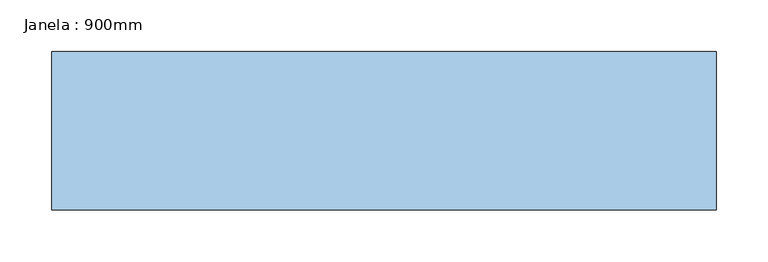
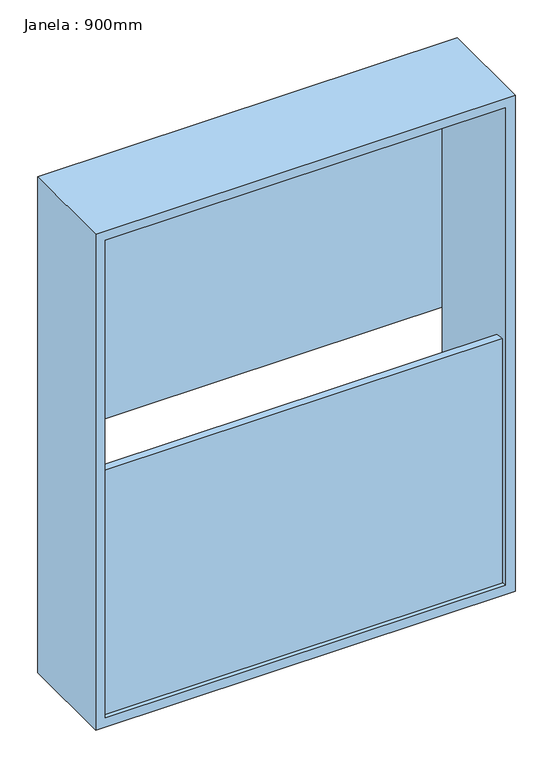
"""IFC4 building model written with IfcOpenShell, lengths in millimetres: window geometry, Janela : 900mm."""

import ifcopenshell
import ifcopenshell.guid

model = None  # the IFC model being written
_history = None  # IfcOwnerHistory: only IFC2X3 demands one
_inside = {}  # id of a spatial element -> (the spatial element, [elements in it])
_under = {}  # id of a project, library or spatial element -> (it, [spatial elements below it])
_declared = {}  # id of a project -> (the project, [libraries it declares])
_typed = {}  # id of a type object -> (the type object, [elements of that type])
_made_of = {}  # id of a material, layer set ... -> (it, [elements and type objects made of it])


def new_model(schema):
    """Start an empty IFC model of exactly this schema.

    Asked for "IFC4X3", IfcOpenShell would pick the latest addendum, in which some entities
    have other attributes; the version numbers below select the first issue.
    IFC2X3 requires an IfcOwnerHistory on every rooted entity: one is made here for all.
    """
    global model, _history
    if schema == "IFC4X3":
        model = ifcopenshell.file(schema_version=(4, 3, 0, 0))
    else:
        model = ifcopenshell.file(schema=schema)
    _inside.clear()
    _under.clear()
    _declared.clear()
    _typed.clear()
    _made_of.clear()
    _history = None
    if model.schema == "IFC2X3":
        org = make("IfcOrganization", Name="unknown")
        user = make(
            "IfcPersonAndOrganization",
            ThePerson=make("IfcPerson", FamilyName="unknown"),
            TheOrganization=org,
        )
        app = make(
            "IfcApplication",
            ApplicationDeveloper=org,
            Version="unknown",
            ApplicationFullName="unknown",
            ApplicationIdentifier="unknown",
        )
        _history = make(
            "IfcOwnerHistory",
            OwningUser=user,
            OwningApplication=app,
            ChangeAction="ADDED",
            CreationDate=0,
        )
    return model


def make(cls, **values):
    """One entity of the class cls with the attributes given. An attribute that is None is left unset."""
    return model.create_entity(
        cls, **{name: value for name, value in values.items() if value is not None}
    )


def rooted(cls, **values):
    """An entity with a GlobalId (a new one), such as an element, a storey or a relation."""
    return make(cls, GlobalId=ifcopenshell.guid.new(), OwnerHistory=_history, **values)


def si_unit(unit_type, name, prefix=None):
    """IfcSIUnit, for example si_unit("LENGTHUNIT", "METRE", prefix="MILLI")."""
    return make("IfcSIUnit", UnitType=unit_type, Prefix=prefix, Name=name)


def assignment(units):
    """IfcUnitAssignment: the units of a project."""
    return None if units is None else make("IfcUnitAssignment", Units=units)


def point(xyz):
    """IfcCartesianPoint."""
    return None if xyz is None else make("IfcCartesianPoint", Coordinates=xyz)


def direction(xyz):
    """IfcDirection."""
    return None if xyz is None else make("IfcDirection", DirectionRatios=xyz)


def frame(location, z_axis=None, x_axis=None):
    """IfcAxis2Placement3D, a coordinate frame: its origin and axes. An axis left out is left unset."""
    return make(
        "IfcAxis2Placement3D",
        Location=point(location),
        Axis=direction(z_axis),
        RefDirection=direction(x_axis),
    )


def origin():
    """The frame at (0, 0, 0) with its axes left unset."""
    return frame((0.0, 0.0, 0.0))


def place(relative_to, where):
    """IfcLocalPlacement: puts the frame where relative to a parent placement (None: the world)."""
    return make(
        "IfcLocalPlacement", PlacementRelTo=relative_to, RelativePlacement=where
    )


def context(
    kind, dimensions, precision=None, world=None, true_north=None, identifier=None
):
    """IfcGeometricRepresentationContext, for example the 3D "Model" context."""
    return make(
        "IfcGeometricRepresentationContext",
        ContextIdentifier=identifier,
        ContextType=kind,
        CoordinateSpaceDimension=dimensions,
        Precision=precision,
        WorldCoordinateSystem=world,
        TrueNorth=true_north,
    )


def project(units=None, contexts=None):
    """IfcProject with its units and contexts."""
    return rooted(
        "IfcProject",
        Name="project",
        RepresentationContexts=contexts,
        UnitsInContext=assignment(units),
    )


def spatial(cls, under=None, at=None, **own):
    """A site, building, storey or space (cls), placed at a placement, below another one or the project."""
    s = rooted(cls, ObjectPlacement=at, **own)
    if under is not None:
        _under.setdefault(under.id(), (under, []))[1].append(s)
    return s


def polyline(points):
    """IfcPolyline through the points."""
    return make("IfcPolyline", Points=[point(p) for p in points])


def outline(outer, holes=None, kind="AREA"):
    """IfcArbitraryClosedProfileDef: a profile drawn as a closed curve; with holes, ...WithVoids."""
    if holes is None:
        return make("IfcArbitraryClosedProfileDef", ProfileType=kind, OuterCurve=outer)
    return make(
        "IfcArbitraryProfileDefWithVoids",
        ProfileType=kind,
        OuterCurve=outer,
        InnerCurves=holes,
    )


def extrude(swept, where, along, depth):
    """IfcExtrudedAreaSolid: the profile swept, set in the frame where, extruded along a direction by depth."""
    return make(
        "IfcExtrudedAreaSolid",
        SweptArea=swept,
        Position=where,
        ExtrudedDirection=direction(along),
        Depth=depth,
    )


def faces_of(points, faces, orient=None, outer=None):
    """IfcFace entities. A face is a list of loops; a loop is a list of indices into points, from 0.

    orient and outer hold one flag for each loop. By default every Orientation is true, the
    first loop of a face is its IfcFaceOuterBound and the others are IfcFaceBound.
    """
    made = []
    for i, loops in enumerate(faces):
        bounds = []
        for j, loop in enumerate(loops):
            is_outer = j == 0 if outer is None else outer[i][j]
            bounds.append(
                make(
                    "IfcFaceOuterBound" if is_outer else "IfcFaceBound",
                    Bound=make("IfcPolyLoop", Polygon=[points[k] for k in loop]),
                    Orientation=True if orient is None else orient[i][j],
                )
            )
        made.append(make("IfcFace", Bounds=bounds))
    return made


def faceted_brep(points, faces, orient=None, outer=None, voids=None):
    """IfcFacetedBrep: a solid bounded by flat faces; with voids (closed shells), ...WithVoids."""
    shared = [point(p) for p in points]
    hull = make("IfcClosedShell", CfsFaces=faces_of(shared, faces, orient, outer))
    if voids is None:
        return make("IfcFacetedBrep", Outer=hull)
    return make(
        "IfcFacetedBrepWithVoids",
        Outer=hull,
        Voids=[
            make(cls, CfsFaces=faces_of(shared, fs, o, b)) for cls, fs, o, b in voids
        ],
    )


def shape(context_of_items, identifier, shape_type, items):
    """IfcShapeRepresentation: the items that make up one representation, for example the "Body"."""
    return make(
        "IfcShapeRepresentation",
        ContextOfItems=context_of_items,
        RepresentationIdentifier=identifier,
        RepresentationType=shape_type,
        Items=items,
    )


def source(mapping_origin, context_of_items, identifier, shape_type, items):
    """IfcRepresentationMap: a shape defined once, which mapped items show again and again."""
    return make(
        "IfcRepresentationMap",
        MappingOrigin=mapping_origin,
        MappedRepresentation=shape(context_of_items, identifier, shape_type, items),
    )


def transform(
    local_origin,
    x_axis=None,
    y_axis=None,
    z_axis=None,
    scale=None,
    scale2=None,
    scale3=None,
    uniform=True,
):
    """IfcCartesianTransformationOperator3D, or its non-uniform kind. x_axis, y_axis, z_axis: its Axis1, 2, 3."""
    if uniform:
        return make(
            "IfcCartesianTransformationOperator3D",
            Axis1=direction(x_axis),
            Axis2=direction(y_axis),
            LocalOrigin=point(local_origin),
            Scale=scale,
            Axis3=direction(z_axis),
        )
    return make(
        "IfcCartesianTransformationOperator3DnonUniform",
        Axis1=direction(x_axis),
        Axis2=direction(y_axis),
        LocalOrigin=point(local_origin),
        Scale=scale,
        Axis3=direction(z_axis),
        Scale2=scale2,
        Scale3=scale3,
    )


def mapped(mapping_source, mapping_target):
    """IfcMappedItem: shows the shape of a source again, moved by a transform."""
    return make(
        "IfcMappedItem", MappingSource=mapping_source, MappingTarget=mapping_target
    )


def made_of(thing, what):
    """Note that an element or type object is made of a material, layer set ...; save() writes the relation."""
    if what is not None:
        _made_of.setdefault(what.id(), (what, []))[1].append(thing)
    return thing


def element(
    cls,
    number,
    at=None,
    inside=None,
    cuts=None,
    type_object=None,
    material=None,
    context=None,
    identifier="Body",
    shape_type=None,
    held_by="IfcProductDefinitionShape",
    body=None,
    shapes=None,
    **own,
):
    """One element of the class cls, such as IfcWall. Its Tag is "e" and its number.

    at: its placement. inside: the storey or other place that contains it. cuts: it is an
    opening in that element (IfcRelVoidsElement). A single representation is given by context,
    identifier, shape_type and body (its items); several are given by shapes. held_by: the class
    of the entity that holds the representations. save() writes the other relations.
    """
    e = rooted(cls, Tag="e%d" % number, ObjectPlacement=at, **own)
    if body is not None:
        shapes = [shape(context, identifier, shape_type, body)]
    if shapes is not None:
        e.Representation = make(held_by, Representations=shapes)
    if inside is not None:
        _inside.setdefault(inside.id(), (inside, []))[1].append(e)
    if cuts is not None:
        rooted(
            "IfcRelVoidsElement", RelatingBuildingElement=cuts, RelatedOpeningElement=e
        )
    if type_object is not None:
        _typed.setdefault(type_object.id(), (type_object, []))[1].append(e)
    return made_of(e, material)


def aggregate(whole, parts):
    """IfcRelAggregates: a whole, such as a stair, and the parts it consists of."""
    return rooted("IfcRelAggregates", RelatingObject=whole, RelatedObjects=parts)


def save(model, path):
    """Write the relations noted so far, then the file.

    IfcRelAggregates (storeys below a building ...), IfcRelContainedInSpatialStructure (elements
    in a storey), IfcRelDefinesByType, IfcRelAssociatesMaterial and IfcRelDeclares: one each for
    every whole, place, type object, material and project.
    """
    for whole, parts in _under.values():
        aggregate(whole, parts)
    for where, things in _inside.values():
        rooted(
            "IfcRelContainedInSpatialStructure",
            RelatedElements=things,
            RelatingStructure=where,
        )
    for kind, things in _typed.values():
        rooted("IfcRelDefinesByType", RelatedObjects=things, RelatingType=kind)
    for what, things in _made_of.values():
        rooted("IfcRelAssociatesMaterial", RelatedObjects=things, RelatingMaterial=what)
    for by, libraries in _declared.values():
        rooted("IfcRelDeclares", RelatingContext=by, RelatedDefinitions=libraries)
    model.write(path)


def janela_900mm_37cb3895(model_context):
    return source(origin(), model_context, "Body", "SolidModel", [
        faceted_brep([(-320.0, -76.2, 2133.6), (-320.0, 76.2, 2133.6), (-320.0, 76.2, 1333.6), (-320.0, -76.2, 1333.6), (-285.0, 56.2, 2098.6), (-305.0, -76.2, 2118.6), (-305.0, -76.2, 1348.6), (-285.0, 56.2, 1368.6), (-305.0, 76.2, 2118.6), (-305.0, 56.2, 2118.6), (-305.0, 56.2, 1348.6), (-305.0, 76.2, 1348.6), (320.0, 76.2, 1333.6), (320.0, -76.2, 1333.6), (305.0, -76.2, 1348.6), (285.0, 56.2, 1368.6), (305.0, 56.2, 1348.6), (305.0, 76.2, 1348.6), (320.0, 76.2, 2133.6), (320.0, -76.2, 2133.6), (305.0, -76.2, 2118.6), (285.0, 56.2, 2098.6), (305.0, 56.2, 2118.6), (305.0, 76.2, 2118.6)], [[[0, 1, 2, 3]], [[4, 5, 6, 7]], [[8, 9, 10, 11]], [[3, 2, 12, 13]], [[7, 6, 14, 15]], [[11, 10, 16, 17]], [[13, 12, 18, 19]], [[15, 14, 20, 21]], [[17, 16, 22, 23]], [[19, 18, 1, 0]], [[3, 13, 19, 0], [5, 20, 14, 6]], [[21, 20, 5, 4]], [[9, 22, 16, 10], [7, 15, 21, 4]], [[23, 22, 9, 8]], [[1, 18, 12, 2], [11, 17, 23, 8]]]),
        extrude(outline(polyline([(305.0, -71.2), (-305.0, -71.2), (-305.0, -58.5), (305.0, -58.5), (305.0, -71.2)])), frame((0.0, 0.0, 1348.6), z_axis=(0.0, 0.0, 1.0), x_axis=(1.0, 0.0, 0.0)), (0.0, 0.0, 1.0), 395.0),
        extrude(outline(polyline([(305.0, 56.2), (-305.0, 56.2), (-305.0, 68.9), (305.0, 68.9), (305.0, 56.2)])), frame((0.0, 0.0, 1723.6), z_axis=(0.0, 0.0, 1.0), x_axis=(1.0, 0.0, 0.0)), (0.0, 0.0, 1.0), 395.0),
    ])


if __name__ == "__main__":
    model = new_model("IFC4")
    model_context = context("Model", 3, world=origin())
    ifc_project = project(units=[si_unit("LENGTHUNIT", "METRE", prefix="MILLI")], contexts=[model_context])
    site = spatial("IfcSite", under=ifc_project)
    building = spatial("IfcBuilding", under=site)
    placement = place(None, origin())
    janela_900mm_shape = janela_900mm_37cb3895(model_context)
    element("IfcWindow", 1, ObjectType="Janela : 900mm", at=placement, inside=building, context=model_context, shape_type="MappedRepresentation", body=[
        mapped(janela_900mm_shape, transform((0.0, 0.0, 0.0), x_axis=(1.0, 0.0, 0.0), y_axis=(0.0, 1.0, 0.0), z_axis=(0.0, 0.0, 1.0))),
    ])
    save(model, "model.ifc")
